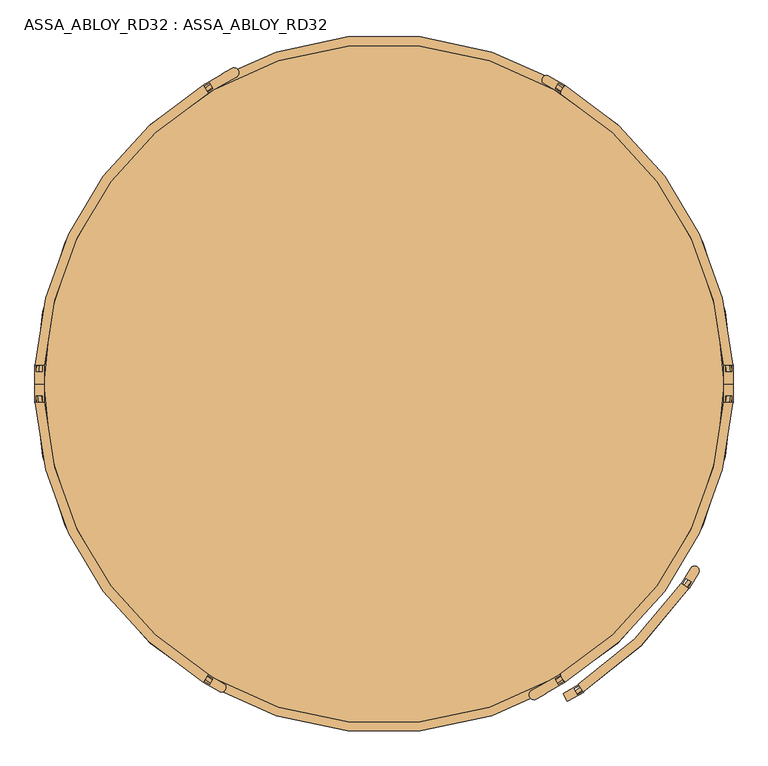
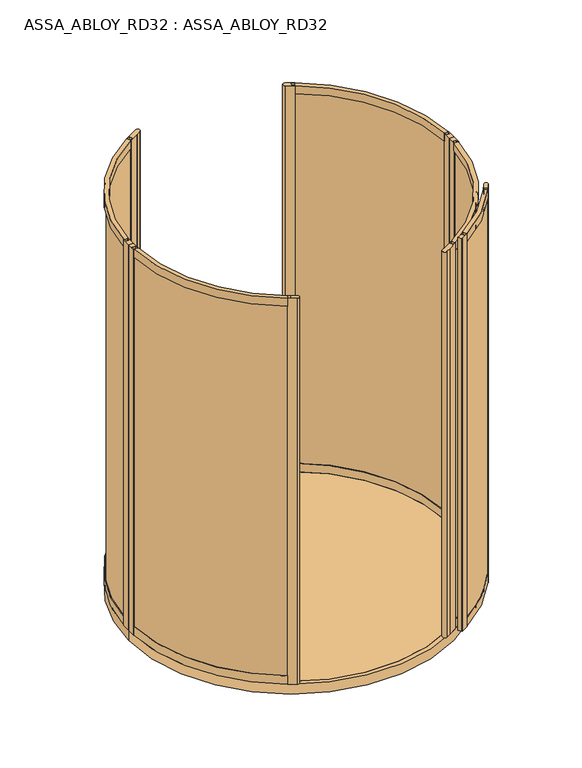
"""IFC4 building model written with IfcOpenShell, lengths in millimetres: door geometry, ASSA_ABLOY_RD32 : ASSA_ABLOY_RD32."""

from ifc_helpers import new_model, si_unit, point, frame, frame_2d, origin, origin_with_axes, place, context, project, spatial, polyline, circle_curve, trimmed, segment, composite_curve, outline, extrude, source, transform, mapped, element, save
from ifc_brep_helpers import plane_surface, cylinder_surface, revolved_surface, advanced_brep


def assa_abloy_rd32_assa_abloy_rd32_8dc88ae1(model_context):
    return source(origin(), model_context, "Body", "SolidModel", [
        extrude(outline(composite_curve([segment(polyline([(993.6904209, -559.909995), (1002.0957467, -565.3276051)]), True, "CONTINUOUS"), segment(trimmed(circle_curve(frame_2d((125.0, 0.0)), 1043.5), [point((1002.0957467, -565.3276051))], [point((674.9340715, -886.8284879))], False, "CARTESIAN"), True, "CONTINUOUS"), segment(polyline([(674.9340715, -886.8284879), (669.6639798, -878.329892)]), True, "CONTINUOUS"), segment(trimmed(circle_curve(frame_2d((125.0, 0.0)), 1033.5), [point((669.6639798, -878.329892))], [point((993.6904209, -559.909995))], True, "CARTESIAN"), True, "CONTINUOUS")], self_intersect=False)), frame((0.0, 0.0, 43.0), z_axis=(0.0, 0.0, 1.0), x_axis=(1.0, 0.0, 0.0)), (0.0, 0.0, 1.0), 2480.0),
        advanced_brep(
        [(680.3575895, -858.5360783, 2556.0), (680.3575895, -858.5360783, 2503.0), (681.9870005, -861.0550106, 2503.0), (681.9870005, -861.0550106, 2523.0), (692.8497407, -877.8478923, 2523.0), (692.8497407, -877.8478923, 2503.0), (694.4791517, -880.3668246, 2503.0), (694.4791517, -880.3668246, 2556.0), (973.7129927, -570.2565264, 2556.0), (995.2939588, -584.7569369, 2556.0), (995.2939588, -584.7569369, 2503.0), (992.8038474, -583.0838126, 2503.0), (992.8038474, -583.0838126, 2523.0), (976.2031042, -571.9296507, 2523.0), (976.2031042, -571.9296507, 2503.0), (973.7129927, -570.2565264, 2503.0)],
        [
            (0, 1),
            (1, 2),
            (2, 3),
            (3, 4),
            (4, 5),
            (5, 6),
            (6, 7),
            (7, 0),
            (8, 9),
            (9, 10),
            (10, 11),
            (11, 12),
            (12, 13),
            (13, 14),
            (14, 15),
            (15, 8),
            (8, 0, circle_curve(frame((125.0, 0.0, 2556.0), z_axis=(0.0, 0.0, -1.0), x_axis=(0.5431370068511084, -0.839644086377567, 0.0)), 1022.5)),
            (7, 9, circle_curve(frame((125.0, 0.0, 2556.0), z_axis=(0.0, 0.0, 1.0), x_axis=(0.5431370068511084, -0.839644086377567, 0.0)), 1048.5)),
            (6, 10, circle_curve(frame((125.0, 0.0, 2503.0), z_axis=(0.0, 0.0, 1.0), x_axis=(0.5431370068511084, -0.839644086377567, 0.0)), 1048.5)),
            (5, 11, circle_curve(frame((125.0, 0.0, 2503.0), z_axis=(0.0, 0.0, 1.0), x_axis=(0.5431370068511084, -0.839644086377567, 0.0)), 1045.5)),
            (4, 12, circle_curve(frame((125.0, 0.0, 2523.0), z_axis=(0.0, 0.0, 1.0), x_axis=(0.5431370068511084, -0.839644086377567, 0.0)), 1045.5)),
            (3, 13, circle_curve(frame((125.0, 0.0, 2523.0), z_axis=(0.0, 0.0, 1.0), x_axis=(0.5431370068511084, -0.839644086377567, 0.0)), 1025.5)),
            (2, 14, circle_curve(frame((125.0, 0.0, 2503.0), z_axis=(0.0, 0.0, 1.0), x_axis=(0.5431370068511084, -0.839644086377567, 0.0)), 1025.5)),
            (1, 15, circle_curve(frame((125.0, 0.0, 2503.0), z_axis=(0.0, 0.0, 1.0), x_axis=(0.5431370068511084, -0.839644086377567, 0.0)), 1022.5)),
        ],
        [
            plane_surface(frame((694.4791517, -880.3668246, 2556.0), z_axis=(-0.839644086377567, -0.5431370068511084, 0.0), x_axis=(0.0, 0.0, 1.0))),
            plane_surface(frame((995.2939588, -584.7569369, 2556.0), z_axis=(0.5577080943123524, 0.8300371567216038, 0.0), x_axis=(0.0, 0.0, 1.0))),
            plane_surface(frame((125.0, 0.0, 2556.0), z_axis=(0.0, 0.0, 1.0000000000000002), x_axis=(0.5431370068511084, -0.839644086377567, 0.0))),
            cylinder_surface(frame((125.0, 0.0, 2556.0), z_axis=(0.0, 0.0, -1.0), x_axis=(0.5431370068511084, -0.839644086377567, 0.0)), 1048.5),
            plane_surface(frame((125.0, 0.0, 2503.0), z_axis=(0.0, 0.0, -1.0000000000000002), x_axis=(0.5431370068511084, -0.839644086377567, 0.0))),
            revolved_surface(polyline([(692.8497406628338, -877.8478923077463, 2503.0), (692.8497406628338, -877.8478923077463, 2523.0)]), (125.0, 0.0, 2556.0), (0.0, 0.0, -1.0)),
            plane_surface(frame((125.0, 0.0, 2523.0), z_axis=(0.0, 0.0, -1.0000000000000002), x_axis=(0.5431370068511084, -0.839644086377567, 0.0))),
            cylinder_surface(frame((125.0, 0.0, 2556.0), z_axis=(0.0, 0.0, -1.0), x_axis=(0.5431370068511084, -0.839644086377567, 0.0)), 1025.5),
            revolved_surface(polyline([(680.3575895052584, -858.5360783210623, 2503.0), (680.3575895052584, -858.5360783210623, 2556.0)]), (125.0, 0.0, 2556.0), (0.0, 0.0, -1.0)),
        ],
        [
            (0, [[1, 2, 3, 4, 5, 6, 7, 8]]),
            (1, [[9, 10, 11, 12, 13, 14, 15, 16]]),
            (2, [[-9, 17, -8, 18]]),
            (3, [[-10, -18, -7, 19]]),
            (4, [[-11, -19, -6, 20]]),
            (5, [[-12, -20, -5, 21]]),
            (6, [[-13, -21, -4, 22]]),
            (7, [[-14, -22, -3, 23]]),
            (4, [[-15, -23, -2, 24]]),
            (8, [[-16, -24, -1, -17]]),
        ],
    ),
        advanced_brep(
        [(680.3575895, -858.5360783, 10.0), (694.4791517, -880.3668246, 10.0), (694.4791517, -880.3668246, 63.0), (692.8497407, -877.8478923, 63.0), (692.8497407, -877.8478923, 43.0), (681.9870005, -861.0550106, 43.0), (681.9870005, -861.0550106, 63.0), (680.3575895, -858.5360783, 63.0), (973.7129927, -570.2565264, 10.0), (973.7129927, -570.2565264, 63.0), (976.2031042, -571.9296507, 63.0), (976.2031042, -571.9296507, 43.0), (992.8038474, -583.0838126, 43.0), (992.8038474, -583.0838126, 63.0), (995.2939588, -584.7569369, 63.0), (995.2939588, -584.7569369, 10.0)],
        [
            (0, 1),
            (1, 2),
            (2, 3),
            (3, 4),
            (4, 5),
            (5, 6),
            (6, 7),
            (7, 0),
            (8, 9),
            (9, 10),
            (10, 11),
            (11, 12),
            (12, 13),
            (13, 14),
            (14, 15),
            (15, 8),
            (8, 0, circle_curve(frame((125.0, 0.0, 10.0), z_axis=(0.0, 0.0, -1.0), x_axis=(0.5431370068511086, -0.839644086377567, 0.0)), 1022.5)),
            (7, 9, circle_curve(frame((125.0, 0.0, 63.0), z_axis=(0.0, 0.0, 1.0), x_axis=(0.5431370068511086, -0.839644086377567, 0.0)), 1022.5)),
            (6, 10, circle_curve(frame((125.0, 0.0, 63.0), z_axis=(0.0, 0.0, 1.0), x_axis=(0.5431370068511086, -0.839644086377567, 0.0)), 1025.5)),
            (5, 11, circle_curve(frame((125.0, 0.0, 43.0), z_axis=(0.0, 0.0, 1.0), x_axis=(0.5431370068511086, -0.839644086377567, 0.0)), 1025.5)),
            (4, 12, circle_curve(frame((125.0, 0.0, 43.0), z_axis=(0.0, 0.0, 1.0), x_axis=(0.5431370068511086, -0.839644086377567, 0.0)), 1045.5)),
            (3, 13, circle_curve(frame((125.0, 0.0, 63.0), z_axis=(0.0, 0.0, 1.0), x_axis=(0.5431370068511086, -0.839644086377567, 0.0)), 1045.5)),
            (2, 14, circle_curve(frame((125.0, 0.0, 63.0), z_axis=(0.0, 0.0, 1.0), x_axis=(0.5431370068511086, -0.839644086377567, 0.0)), 1048.5)),
            (1, 15, circle_curve(frame((125.0, 0.0, 10.0), z_axis=(0.0, 0.0, 1.0), x_axis=(0.5431370068511086, -0.839644086377567, 0.0)), 1048.5)),
        ],
        [
            plane_surface(frame((694.4791517, -880.3668246, 0.0), z_axis=(-0.8396440863775669, -0.5431370068511086, 0.0), x_axis=(0.0, 0.0, 1.0))),
            plane_surface(frame((995.2939588, -584.7569369, 0.0), z_axis=(0.5577080943123519, 0.8300371567216043, 0.0), x_axis=(0.0, 0.0, 1.0))),
            revolved_surface(polyline([(680.3575895052585, -858.5360783210623, 10.0), (680.3575895052585, -858.5360783210623, 63.0)]), (125.0, 0.0, 0.0), (0.0, 0.0, -1.0)),
            plane_surface(frame((125.0, 0.0, 63.0), z_axis=(0.0, 0.0, 1.0000000000000002), x_axis=(0.5431370068511086, -0.8396440863775669, 0.0))),
            cylinder_surface(frame((125.0, 0.0, 0.0), z_axis=(0.0, 0.0, -1.0), x_axis=(0.5431370068511086, -0.839644086377567, 0.0)), 1025.5),
            plane_surface(frame((125.0, 0.0, 43.0), z_axis=(0.0, 0.0, 1.0000000000000002), x_axis=(0.5431370068511086, -0.8396440863775669, 0.0))),
            revolved_surface(polyline([(692.8497406628339, -877.8478923077463, 43.0), (692.8497406628339, -877.8478923077463, 63.0)]), (125.0, 0.0, 0.0), (0.0, 0.0, -1.0)),
            cylinder_surface(frame((125.0, 0.0, 0.0), z_axis=(0.0, 0.0, -1.0), x_axis=(0.5431370068511086, -0.839644086377567, 0.0)), 1048.5),
            plane_surface(frame((125.0, 0.0, 10.0), z_axis=(0.0, 0.0, -1.0000000000000002), x_axis=(0.5431370068511086, -0.8396440863775669, 0.0))),
        ],
        [
            (0, [[1, 2, 3, 4, 5, 6, 7, 8]]),
            (1, [[9, 10, 11, 12, 13, 14, 15, 16]]),
            (2, [[-9, 17, -8, 18]]),
            (3, [[-10, -18, -7, 19]]),
            (4, [[-11, -19, -6, 20]]),
            (5, [[-12, -20, -5, 21]]),
            (6, [[-13, -21, -4, 22]]),
            (3, [[-14, -22, -3, 23]]),
            (7, [[-15, -23, -2, 24]]),
            (8, [[-16, -24, -1, -17]]),
        ],
    ),
        extrude(outline(composite_curve([segment(polyline([(996.4428968, -585.4472885), (993.8713949, -583.9021743), (1004.1721564, -566.7588282), (987.0288104, -556.4580667), (976.7280489, -573.6014128), (974.156547, -572.0562985), (1000.9385269, -527.4835989)]), True, "CONTINUOUS"), segment(trimmed(circle_curve(frame_2d((1012.0817018, -534.1790939)), 13.0), [point((1000.9385269, -527.4835989))], [point((1023.2248767, -540.8745888))], False, "CARTESIAN"), True, "CONTINUOUS"), segment(polyline([(1023.2248767, -540.8745888), (996.4428968, -585.4472885)]), True, "CONTINUOUS")], self_intersect=False)), frame((0.0, 0.0, 10.0), z_axis=(0.0, 0.0, 1.0), x_axis=(1.0, 0.0, 0.0)), (0.0, 0.0, 1.0), 2546.0),
        extrude(outline(polyline([(695.1493464, -881.5276359), (651.8480762, -906.5276359), (651.3480762, -905.6616105), (648.75, -907.1616105), (636.75, -886.3770008), (639.3480762, -884.8770008), (638.8480762, -884.0109754), (682.1493464, -859.0109754), (683.6493464, -861.6090516), (666.3288383, -871.6090516), (676.3288383, -888.9295597), (693.6493464, -878.9295597), (695.1493464, -881.5276359)])), frame((0.0, 0.0, 10.0), z_axis=(0.0, 0.0, 1.0), x_axis=(1.0, 0.0, 0.0)), (0.0, 0.0, 1.0), 2546.0),
        extrude(outline(composite_curve([segment(trimmed(circle_curve(frame_2d((125.0, 0.0)), 989.0), [point((619.5, 856.4991243))], [point((1113.4436781, 33.1676829))], False, "CARTESIAN"), True, "CONTINUOUS"), segment(polyline([(1113.4436781, 33.1676829), (1103.4493032, 32.8323171)]), True, "CONTINUOUS"), segment(trimmed(circle_curve(frame_2d((125.0, 0.0)), 979.0), [point((1103.4493032, 32.8323171))], [point((614.5, 847.8388703))], True, "CARTESIAN"), True, "CONTINUOUS"), segment(polyline([(614.5, 847.8388703), (619.5, 856.4991243)]), True, "CONTINUOUS")], self_intersect=False)), frame((0.0, 0.0, 33.0), z_axis=(0.0, 0.0, 1.0), x_axis=(1.0, 0.0, 0.0)), (0.0, 0.0, 1.0), 2437.0),
        extrude(outline(composite_curve([segment(trimmed(circle_curve(frame_2d((125.0, 0.0)), 989.0), [point((1113.4436781, -33.1676829))], [point((619.5, -856.4991243))], False, "CARTESIAN"), True, "CONTINUOUS"), segment(polyline([(619.5, -856.4991243), (614.5, -847.8388703)]), True, "CONTINUOUS"), segment(trimmed(circle_curve(frame_2d((125.0, 0.0)), 979.0), [point((614.5, -847.8388703))], [point((1103.4493032, -32.8323171))], True, "CARTESIAN"), True, "CONTINUOUS"), segment(polyline([(1103.4493032, -32.8323171), (1113.4436781, -33.1676829)]), True, "CONTINUOUS")], self_intersect=False)), frame((0.0, 0.0, 33.0), z_axis=(0.0, 0.0, 1.0), x_axis=(1.0, 0.0, 0.0)), (0.0, 0.0, 1.0), 2437.0),
        extrude(outline(composite_curve([segment(polyline([(621.9998179, -860.828936), (639.320326, -850.828936), (640.8201439, -853.4266969), (586.2605435, -884.9266969), (586.760545, -885.7927249), (560.7781998, -900.7936389)]), True, "CONTINUOUS"), segment(trimmed(circle_curve(frame_2d((553.7783803, -888.669596)), 13.9996389), [point((560.7781998, -900.7936389))], [point((546.7785609, -876.545553))], False, "CARTESIAN"), True, "CONTINUOUS"), segment(polyline([(546.7785609, -876.545553), (572.7609061, -861.544639), (573.2609076, -862.4106671), (627.8205081, -830.9106671), (629.320326, -833.5084279), (611.9998179, -843.5084279), (621.9998179, -860.828936)]), True, "CONTINUOUS")], self_intersect=False)), origin_with_axes(), (0.0, 0.0, 1.0), 2500.0),
        extrude(outline(composite_curve([segment(polyline([(621.9998179, 860.828936), (611.9998179, 843.5084279), (629.320326, 833.5084279), (627.8205081, 830.9106671), (582.7868716, 856.9108492)]), True, "CONTINUOUS"), segment(trimmed(circle_curve(frame_2d((589.2866895, 868.1688641)), 12.9996359), [point((582.7868716, 856.9108492))], [point((595.7865074, 879.426879))], False, "CARTESIAN"), True, "CONTINUOUS"), segment(polyline([(595.7865074, 879.426879), (640.8201439, 853.4266969), (639.320326, 850.828936), (621.9998179, 860.828936)]), True, "CONTINUOUS")], self_intersect=False)), origin_with_axes(), (0.0, 0.0, 1.0), 2500.0),
        advanced_brep(
        [(627.2711247, 831.0022366, 0.0), (627.2711247, 831.0022366, 53.0), (628.8229408, 833.5696998, 53.0), (628.8229408, 833.5696998, 33.0), (639.168381, 850.6861207, 33.0), (639.168381, 850.6861207, 53.0), (640.7201971, 853.2535838, 53.0), (640.7201971, 853.2535838, 0.0), (1094.6270403, 51.6178536, 0.0), (1120.5902772, 53.0, 0.0), (1120.5902772, 53.0, 53.0), (1117.5945191, 52.8405216, 53.0), (1117.5945191, 52.8405216, 33.0), (1097.6227984, 51.777332, 33.0), (1097.6227984, 51.777332, 53.0), (1094.6270403, 51.6178536, 53.0)],
        [
            (0, 1),
            (1, 2),
            (2, 3),
            (3, 4),
            (4, 5),
            (5, 6),
            (6, 7),
            (7, 0),
            (8, 9),
            (9, 10),
            (10, 11),
            (11, 12),
            (12, 13),
            (13, 14),
            (14, 15),
            (15, 8),
            (15, 1, circle_curve(frame((125.0, 0.0, 53.0), z_axis=(0.0, 0.0, 1.0), x_axis=(0.5172720131197738, 0.8558210469736162, 0.0)), 971.0)),
            (0, 8, circle_curve(frame((125.0, 0.0, 0.0), z_axis=(0.0, 0.0, -1.0), x_axis=(0.5172720131197738, 0.8558210469736162, 0.0)), 971.0)),
            (14, 2, circle_curve(frame((125.0, 0.0, 53.0), z_axis=(0.0, 0.0, 1.0), x_axis=(0.5172720131197738, 0.8558210469736162, 0.0)), 974.0)),
            (13, 3, circle_curve(frame((125.0, 0.0, 33.0), z_axis=(0.0, 0.0, 1.0), x_axis=(0.5172720131197738, 0.8558210469736162, 0.0)), 974.0)),
            (12, 4, circle_curve(frame((125.0, 0.0, 33.0), z_axis=(0.0, 0.0, 1.0), x_axis=(0.5172720131197738, 0.8558210469736162, 0.0)), 994.0)),
            (11, 5, circle_curve(frame((125.0, 0.0, 53.0), z_axis=(0.0, 0.0, 1.0), x_axis=(0.5172720131197738, 0.8558210469736162, 0.0)), 994.0)),
            (10, 6, circle_curve(frame((125.0, 0.0, 53.0), z_axis=(0.0, 0.0, 1.0), x_axis=(0.5172720131197738, 0.8558210469736162, 0.0)), 997.0)),
            (9, 7, circle_curve(frame((125.0, 0.0, 0.0), z_axis=(0.0, 0.0, 1.0), x_axis=(0.5172720131197738, 0.8558210469736162, 0.0)), 997.0)),
        ],
        [
            plane_surface(frame((640.7201971, 853.2535838, 0.0), z_axis=(-0.8558210469736162, 0.5172720131197739, 0.0), x_axis=(0.0, 0.0, 1.0))),
            plane_surface(frame((1120.5902772, 53.0, 0.0), z_axis=(0.05315947843547908, -0.9985860352781166, 0.0), x_axis=(0.0, 0.0, 1.0))),
            revolved_surface(polyline([(627.2711247393004, 831.0022366113812, 0.0), (627.2711247393004, 831.0022366113812, 53.0)]), (125.0, 0.0, 0.0), (0.0, 0.0, -1.0)),
            plane_surface(frame((125.0, 0.0, 53.0), z_axis=(0.0, 0.0, 1.0000000000000002), x_axis=(0.5172720131197739, 0.8558210469736163, 0.0))),
            cylinder_surface(frame((125.0, 0.0, 0.0), z_axis=(0.0, 0.0, -1.0), x_axis=(0.5172720131197738, 0.8558210469736162, 0.0)), 974.0),
            plane_surface(frame((125.0, 0.0, 33.0), z_axis=(0.0, 0.0, 1.0000000000000002), x_axis=(0.5172720131197739, 0.8558210469736163, 0.0))),
            revolved_surface(polyline([(639.1683810410551, 850.6861206917745, 33.0), (639.1683810410551, 850.6861206917745, 53.0)]), (125.0, 0.0, 0.0), (0.0, 0.0, -1.0)),
            cylinder_surface(frame((125.0, 0.0, 0.0), z_axis=(0.0, 0.0, -1.0), x_axis=(0.5172720131197738, 0.8558210469736162, 0.0)), 997.0),
            plane_surface(frame((125.0, 0.0, 0.0), z_axis=(0.0, 0.0, -1.0000000000000002), x_axis=(0.5172720131197739, 0.8558210469736163, 0.0))),
        ],
        [
            (0, [[1, 2, 3, 4, 5, 6, 7, 8]]),
            (1, [[9, 10, 11, 12, 13, 14, 15, 16]]),
            (2, [[17, -1, 18, -16]]),
            (3, [[19, -2, -17, -15]]),
            (4, [[20, -3, -19, -14]]),
            (5, [[21, -4, -20, -13]]),
            (6, [[22, -5, -21, -12]]),
            (3, [[23, -6, -22, -11]]),
            (7, [[24, -7, -23, -10]]),
            (8, [[-18, -8, -24, -9]]),
        ],
    ),
        advanced_brep(
        [(1094.6270403, 51.6178536, 2500.0), (1094.6270403, 51.6178536, 2450.0), (1097.6227984, 51.777332, 2450.0), (1097.6227984, 51.777332, 2470.0), (1117.5945191, 52.8405216, 2470.0), (1117.5945191, 52.8405216, 2450.0), (1120.5902772, 53.0, 2450.0), (1120.5902772, 53.0, 2500.0), (627.2711247, 831.0022366, 2500.0), (640.7201971, 853.2535838, 2500.0), (640.7201971, 853.2535838, 2450.0), (639.168381, 850.6861207, 2450.0), (639.168381, 850.6861207, 2470.0), (628.8229408, 833.5696997, 2470.0), (628.8229408, 833.5696997, 2450.0), (627.2711247, 831.0022366, 2450.0)],
        [
            (0, 1),
            (1, 2),
            (2, 3),
            (3, 4),
            (4, 5),
            (5, 6),
            (6, 7),
            (7, 0),
            (8, 9),
            (9, 10),
            (10, 11),
            (11, 12),
            (12, 13),
            (13, 14),
            (14, 15),
            (15, 8),
            (15, 1, circle_curve(frame((125.0, 0.0, 2450.0), z_axis=(0.0, 0.0, -1.0), x_axis=(0.9985860352779897, 0.05315947843786122, 0.0)), 971.0)),
            (0, 8, circle_curve(frame((125.0, 0.0, 2500.0), z_axis=(0.0, 0.0, 1.0), x_axis=(0.9985860352779897, 0.05315947843786122, 0.0)), 971.0)),
            (14, 2, circle_curve(frame((125.0, 0.0, 2450.0), z_axis=(0.0, 0.0, -1.0), x_axis=(0.9985860352779897, 0.05315947843786122, 0.0)), 974.0)),
            (9, 7, circle_curve(frame((125.0, 0.0, 2500.0), z_axis=(0.0, 0.0, -1.0), x_axis=(0.9985860352779897, 0.05315947843786122, 0.0)), 997.0)),
            (6, 10, circle_curve(frame((125.0, 0.0, 2450.0), z_axis=(0.0, 0.0, 1.0), x_axis=(0.9985860352779897, 0.05315947843786122, 0.0)), 997.0)),
            (13, 3, circle_curve(frame((125.0, 0.0, 2470.0), z_axis=(0.0, 0.0, -1.0), x_axis=(0.9985860352779897, 0.05315947843786122, 0.0)), 974.0)),
            (12, 4, circle_curve(frame((125.0, 0.0, 2470.0), z_axis=(0.0, 0.0, -1.0), x_axis=(0.9985860352779897, 0.05315947843786122, 0.0)), 994.0)),
            (11, 5, circle_curve(frame((125.0, 0.0, 2450.0), z_axis=(0.0, 0.0, -1.0), x_axis=(0.9985860352779897, 0.05315947843786122, 0.0)), 994.0)),
        ],
        [
            plane_surface(frame((1120.5902772, 53.0, 2500.0), z_axis=(0.053159478437861236, -0.9985860352779897, 0.0), x_axis=(0.0, 0.0, 1.0))),
            plane_surface(frame((640.7201971, 853.2535838, 2500.0), z_axis=(-0.855821046973346, 0.5172720131202209, 0.0), x_axis=(0.0, 0.0, 1.0))),
            revolved_surface(polyline([(1094.627040254928, 51.617853563163244, 2500.0), (1094.627040254928, 51.617853563163244, 2450.0)]), (125.0, 0.0, 2500.0), (0.0, 0.0, 1.0)),
            plane_surface(frame((125.0, 0.0, 2450.0), z_axis=(0.0, 0.0, -1.0), x_axis=(0.9985860352779897, 0.05315947843786122, 0.0))),
            cylinder_surface(frame((125.0, 0.0, 2500.0), z_axis=(0.0, 0.0, 1.0), x_axis=(0.9985860352779897, 0.05315947843786122, 0.0)), 997.0),
            plane_surface(frame((125.0, 0.0, 2500.0), z_axis=(0.0, 0.0, 1.0), x_axis=(0.9985860352779897, 0.05315947843786122, 0.0))),
            cylinder_surface(frame((125.0, 0.0, 2500.0), z_axis=(0.0, 0.0, 1.0), x_axis=(0.9985860352779897, 0.05315947843786122, 0.0)), 974.0),
            plane_surface(frame((125.0, 0.0, 2470.0), z_axis=(0.0, 0.0, -1.0), x_axis=(0.9985860352779897, 0.05315947843786122, 0.0))),
            revolved_surface(polyline([(1117.594519066322, 52.840521567234056, 2470.0), (1117.594519066322, 52.840521567234056, 2450.0)]), (125.0, 0.0, 2500.0), (0.0, 0.0, 1.0)),
        ],
        [
            (0, [[1, 2, 3, 4, 5, 6, 7, 8]]),
            (1, [[9, 10, 11, 12, 13, 14, 15, 16]]),
            (2, [[17, -1, 18, -16]]),
            (3, [[19, -2, -17, -15]]),
            (4, [[20, -7, 21, -10]]),
            (5, [[-18, -8, -20, -9]]),
            (6, [[22, -3, -19, -14]]),
            (7, [[23, -4, -22, -13]]),
            (8, [[24, -5, -23, -12]]),
            (3, [[-21, -6, -24, -11]]),
        ],
    ),
        extrude(outline(polyline([(1122.0, 0.0), (1096.0, 0.0), (1096.0, 53.0), (1099.0, 53.0), (1099.0, 33.0), (1119.0, 33.0), (1119.0, 53.0), (1122.0, 53.0), (1122.0, 0.0)])), origin_with_axes(), (0.0, 0.0, 1.0), 2500.0),
        advanced_brep(
        [(627.2711247, -831.0022366, 0.0), (640.7201971, -853.2535838, 0.0), (640.7201971, -853.2535838, 53.0), (639.168381, -850.6861207, 53.0), (639.168381, -850.6861207, 33.0), (628.8229408, -833.5696998, 33.0), (628.8229408, -833.5696998, 53.0), (627.2711247, -831.0022366, 53.0), (1094.6270403, -51.6178536, 0.0), (1094.6270403, -51.6178536, 53.0), (1097.6227984, -51.777332, 53.0), (1097.6227984, -51.777332, 33.0), (1117.5945191, -52.8405216, 33.0), (1117.5945191, -52.8405216, 53.0), (1120.5902772, -53.0, 53.0), (1120.5902772, -53.0, 0.0)],
        [
            (0, 1),
            (1, 2),
            (2, 3),
            (3, 4),
            (4, 5),
            (5, 6),
            (6, 7),
            (7, 0),
            (8, 9),
            (9, 10),
            (10, 11),
            (11, 12),
            (12, 13),
            (13, 14),
            (14, 15),
            (15, 8),
            (8, 0, circle_curve(frame((125.0, 0.0, 0.0), z_axis=(0.0, 0.0, -1.0), x_axis=(0.5172720131195371, -0.8558210469737593, 0.0)), 971.0)),
            (7, 9, circle_curve(frame((125.0, 0.0, 53.0), z_axis=(0.0, 0.0, 1.0), x_axis=(0.5172720131195371, -0.8558210469737593, 0.0)), 971.0)),
            (6, 10, circle_curve(frame((125.0, 0.0, 53.0), z_axis=(0.0, 0.0, 1.0), x_axis=(0.5172720131195371, -0.8558210469737593, 0.0)), 974.0)),
            (5, 11, circle_curve(frame((125.0, 0.0, 33.0), z_axis=(0.0, 0.0, 1.0), x_axis=(0.5172720131195371, -0.8558210469737593, 0.0)), 974.0)),
            (4, 12, circle_curve(frame((125.0, 0.0, 33.0), z_axis=(0.0, 0.0, 1.0), x_axis=(0.5172720131195371, -0.8558210469737593, 0.0)), 994.0)),
            (3, 13, circle_curve(frame((125.0, 0.0, 53.0), z_axis=(0.0, 0.0, 1.0), x_axis=(0.5172720131195371, -0.8558210469737593, 0.0)), 994.0)),
            (2, 14, circle_curve(frame((125.0, 0.0, 53.0), z_axis=(0.0, 0.0, 1.0), x_axis=(0.5172720131195371, -0.8558210469737593, 0.0)), 997.0)),
            (1, 15, circle_curve(frame((125.0, 0.0, 0.0), z_axis=(0.0, 0.0, 1.0), x_axis=(0.5172720131195371, -0.8558210469737593, 0.0)), 997.0)),
        ],
        [
            plane_surface(frame((640.7201971, -853.2535838, 0.0), z_axis=(-0.8558210469737594, -0.5172720131195372, 0.0), x_axis=(0.0, 0.0, 1.0))),
            plane_surface(frame((1120.5902772, -53.0, 0.0), z_axis=(0.053159478435714, 0.9985860352781041, 0.0), x_axis=(0.0, 0.0, 1.0))),
            revolved_surface(polyline([(627.2711247390705, -831.0022366115203, 53.0), (627.2711247390705, -831.0022366115203, 0.0)]), (125.0, 0.0, 0.0), (0.0, 0.0, 1.0)),
            plane_surface(frame((125.0, 0.0, 53.0), z_axis=(0.0, 0.0, 1.0), x_axis=(0.5172720131195371, -0.8558210469737593, 0.0))),
            cylinder_surface(frame((125.0, 0.0, 0.0), z_axis=(0.0, 0.0, 1.0), x_axis=(0.5172720131195371, -0.8558210469737593, 0.0)), 974.0),
            plane_surface(frame((125.0, 0.0, 33.0), z_axis=(0.0, 0.0, 1.0), x_axis=(0.5172720131195371, -0.8558210469737593, 0.0))),
            revolved_surface(polyline([(639.1683810408199, -850.6861206919167, 53.0), (639.1683810408199, -850.6861206919167, 33.0)]), (125.0, 0.0, 0.0), (0.0, 0.0, 1.0)),
            cylinder_surface(frame((125.0, 0.0, 0.0), z_axis=(0.0, 0.0, 1.0), x_axis=(0.5172720131195371, -0.8558210469737593, 0.0)), 997.0),
            plane_surface(frame((125.0, 0.0, 0.0), z_axis=(0.0, 0.0, -1.0), x_axis=(0.5172720131195371, -0.8558210469737593, 0.0))),
        ],
        [
            (0, [[1, 2, 3, 4, 5, 6, 7, 8]]),
            (1, [[9, 10, 11, 12, 13, 14, 15, 16]]),
            (2, [[17, -8, 18, -9]]),
            (3, [[-18, -7, 19, -10]]),
            (4, [[-19, -6, 20, -11]]),
            (5, [[-20, -5, 21, -12]]),
            (6, [[-21, -4, 22, -13]]),
            (3, [[-22, -3, 23, -14]]),
            (7, [[-23, -2, 24, -15]]),
            (8, [[-24, -1, -17, -16]]),
        ],
    ),
        advanced_brep(
        [(1094.6270403, -51.6178536, 2500.0), (1120.5902772, -53.0, 2500.0), (1120.5902772, -53.0, 2450.0), (1117.5945191, -52.8405216, 2450.0), (1117.5945191, -52.8405216, 2470.0), (1097.6227984, -51.777332, 2470.0), (1097.6227984, -51.777332, 2450.0), (1094.6270403, -51.6178536, 2450.0), (627.2711247, -831.0022366, 2500.0), (627.2711247, -831.0022366, 2450.0), (628.8229408, -833.5696998, 2450.0), (628.8229408, -833.5696998, 2470.0), (639.168381, -850.6861207, 2470.0), (639.168381, -850.6861207, 2450.0), (640.7201971, -853.2535838, 2450.0), (640.7201971, -853.2535838, 2500.0)],
        [
            (0, 1),
            (1, 2),
            (2, 3),
            (3, 4),
            (4, 5),
            (5, 6),
            (6, 7),
            (7, 0),
            (8, 9),
            (9, 10),
            (10, 11),
            (11, 12),
            (12, 13),
            (13, 14),
            (14, 15),
            (15, 8),
            (8, 0, circle_curve(frame((125.0, 0.0, 2500.0), z_axis=(0.0, 0.0, 1.0), x_axis=(0.998586035278285, -0.05315947843231441, 0.0)), 971.0)),
            (7, 9, circle_curve(frame((125.0, 0.0, 2450.0), z_axis=(0.0, 0.0, -1.0), x_axis=(0.998586035278285, -0.05315947843231441, 0.0)), 971.0)),
            (6, 10, circle_curve(frame((125.0, 0.0, 2450.0), z_axis=(0.0, 0.0, -1.0), x_axis=(0.998586035278285, -0.05315947843231441, 0.0)), 974.0)),
            (14, 2, circle_curve(frame((125.0, 0.0, 2450.0), z_axis=(0.0, 0.0, 1.0), x_axis=(0.998586035278285, -0.05315947843231441, 0.0)), 997.0)),
            (1, 15, circle_curve(frame((125.0, 0.0, 2500.0), z_axis=(0.0, 0.0, -1.0), x_axis=(0.998586035278285, -0.05315947843231441, 0.0)), 997.0)),
            (5, 11, circle_curve(frame((125.0, 0.0, 2470.0), z_axis=(0.0, 0.0, -1.0), x_axis=(0.998586035278285, -0.05315947843231441, 0.0)), 974.0)),
            (4, 12, circle_curve(frame((125.0, 0.0, 2470.0), z_axis=(0.0, 0.0, -1.0), x_axis=(0.998586035278285, -0.05315947843231441, 0.0)), 994.0)),
            (3, 13, circle_curve(frame((125.0, 0.0, 2450.0), z_axis=(0.0, 0.0, -1.0), x_axis=(0.998586035278285, -0.05315947843231441, 0.0)), 994.0)),
        ],
        [
            plane_surface(frame((1120.5902772, -53.0, 2500.0), z_axis=(0.053159478432314444, 0.998586035278285, 0.0), x_axis=(0.0, 0.0, 1.0))),
            plane_surface(frame((640.7201971, -853.2535838, 2500.0), z_axis=(-0.8558210469721426, -0.517272013122212, 0.0), x_axis=(0.0, 0.0, 1.0))),
            revolved_surface(polyline([(1094.6270402552148, -51.617853557777295, 2450.0), (1094.6270402552148, -51.617853557777295, 2500.0)]), (125.0, 0.0, 2500.0), (0.0, 0.0, -1.0)),
            plane_surface(frame((125.0, 0.0, 2450.0), z_axis=(0.0, 0.0, -1.0), x_axis=(0.998586035278285, -0.05315947843231441, 0.0))),
            cylinder_surface(frame((125.0, 0.0, 2500.0), z_axis=(0.0, 0.0, -1.0), x_axis=(0.998586035278285, -0.05315947843231441, 0.0)), 997.0),
            plane_surface(frame((125.0, 0.0, 2500.0), z_axis=(0.0, 0.0, 1.0), x_axis=(0.998586035278285, -0.05315947843231441, 0.0))),
            cylinder_surface(frame((125.0, 0.0, 2500.0), z_axis=(0.0, 0.0, -1.0), x_axis=(0.998586035278285, -0.05315947843231441, 0.0)), 974.0),
            plane_surface(frame((125.0, 0.0, 2470.0), z_axis=(0.0, 0.0, -1.0), x_axis=(0.998586035278285, -0.05315947843231441, 0.0))),
            revolved_surface(polyline([(1117.5945190666152, -52.84052156172052, 2450.0), (1117.5945190666152, -52.84052156172052, 2470.0)]), (125.0, 0.0, 2500.0), (0.0, 0.0, -1.0)),
        ],
        [
            (0, [[1, 2, 3, 4, 5, 6, 7, 8]]),
            (1, [[9, 10, 11, 12, 13, 14, 15, 16]]),
            (2, [[17, -8, 18, -9]]),
            (3, [[-18, -7, 19, -10]]),
            (4, [[20, -2, 21, -15]]),
            (5, [[-21, -1, -17, -16]]),
            (6, [[-19, -6, 22, -11]]),
            (7, [[-22, -5, 23, -12]]),
            (8, [[-23, -4, 24, -13]]),
            (3, [[-24, -3, -20, -14]]),
        ],
    ),
        extrude(outline(polyline([(1122.0, 0.0), (1122.0, -53.0), (1119.0, -53.0), (1119.0, -33.0), (1099.0, -33.0), (1099.0, -53.0), (1096.0, -53.0), (1096.0, 0.0), (1122.0, 0.0)])), origin_with_axes(), (0.0, 0.0, 1.0), 2500.0),
        extrude(outline(composite_curve([segment(trimmed(circle_curve(frame_2d((125.0, 0.0)), 979.0), [point((-364.5, 847.8388703))], [point((-854.0, 0.0))], True, "CARTESIAN"), True, "CONTINUOUS"), segment(polyline([(-854.0, 0.0), (-864.0, 0.0)]), True, "CONTINUOUS"), segment(trimmed(circle_curve(frame_2d((125.0, 0.0)), 989.0), [point((-864.0, 0.0))], [point((-369.5, 856.4991243))], False, "CARTESIAN"), True, "CONTINUOUS"), segment(polyline([(-369.5, 856.4991243), (-364.5, 847.8388703)]), True, "CONTINUOUS")], self_intersect=False)), frame((0.0, 0.0, 33.0), z_axis=(0.0, 0.0, 1.0), x_axis=(1.0, 0.0, 0.0)), (0.0, 0.0, 1.0), 2437.0),
        advanced_brep(
        [(-377.2711247, 831.0022366, 0.0), (-390.7201971, 853.2535838, 0.0), (-390.7201971, 853.2535838, 53.0), (-389.168381, 850.6861207, 53.0), (-389.168381, 850.6861207, 33.0), (-378.8229408, 833.5696998, 33.0), (-378.8229408, 833.5696998, 53.0), (-377.2711247, 831.0022366, 53.0), (-844.6270403, 51.6178536, 0.0), (-844.6270403, 51.6178536, 53.0), (-847.6227984, 51.777332, 53.0), (-847.6227984, 51.777332, 33.0), (-867.5945191, 52.8405216, 33.0), (-867.5945191, 52.8405216, 53.0), (-870.5902772, 53.0, 53.0), (-870.5902772, 53.0, 0.0)],
        [
            (0, 1),
            (1, 2),
            (2, 3),
            (3, 4),
            (4, 5),
            (5, 6),
            (6, 7),
            (7, 0),
            (8, 9),
            (9, 10),
            (10, 11),
            (11, 12),
            (12, 13),
            (13, 14),
            (14, 15),
            (15, 8),
            (8, 0, circle_curve(frame((125.0, 0.0, 0.0), z_axis=(0.0, 0.0, -1.0), x_axis=(-0.5172720131199363, 0.8558210469735179, 0.0)), 971.0)),
            (7, 9, circle_curve(frame((125.0, 0.0, 53.0), z_axis=(0.0, 0.0, 1.0), x_axis=(-0.5172720131199363, 0.8558210469735179, 0.0)), 971.0)),
            (6, 10, circle_curve(frame((125.0, 0.0, 53.0), z_axis=(0.0, 0.0, 1.0), x_axis=(-0.5172720131199363, 0.8558210469735179, 0.0)), 974.0)),
            (5, 11, circle_curve(frame((125.0, 0.0, 33.0), z_axis=(0.0, 0.0, 1.0), x_axis=(-0.5172720131199363, 0.8558210469735179, 0.0)), 974.0)),
            (4, 12, circle_curve(frame((125.0, 0.0, 33.0), z_axis=(0.0, 0.0, 1.0), x_axis=(-0.5172720131199363, 0.8558210469735179, 0.0)), 994.0)),
            (3, 13, circle_curve(frame((125.0, 0.0, 53.0), z_axis=(0.0, 0.0, 1.0), x_axis=(-0.5172720131199363, 0.8558210469735179, 0.0)), 994.0)),
            (2, 14, circle_curve(frame((125.0, 0.0, 53.0), z_axis=(0.0, 0.0, 1.0), x_axis=(-0.5172720131199363, 0.8558210469735179, 0.0)), 997.0)),
            (1, 15, circle_curve(frame((125.0, 0.0, 0.0), z_axis=(0.0, 0.0, 1.0), x_axis=(-0.5172720131199363, 0.8558210469735179, 0.0)), 997.0)),
        ],
        [
            plane_surface(frame((-390.7201971, 853.2535838, 0.0), z_axis=(0.855821046973518, 0.5172720131199363, 0.0), x_axis=(0.0, 0.0, 1.0))),
            plane_surface(frame((-870.5902772, 53.0, 0.0), z_axis=(-0.0531594784350477, -0.9985860352781395, 0.0), x_axis=(0.0, 0.0, 1.0))),
            revolved_surface(polyline([(-377.2711247394582, 831.0022366112859, 53.0), (-377.2711247394582, 831.0022366112859, 0.0)]), (125.0, 0.0, 0.0), (0.0, 0.0, 1.0)),
            plane_surface(frame((125.0, 0.0, 53.0), z_axis=(0.0, 0.0, 1.0000000000000002), x_axis=(-0.5172720131199364, 0.855821046973518, 0.0))),
            cylinder_surface(frame((125.0, 0.0, 0.0), z_axis=(0.0, 0.0, 1.0), x_axis=(-0.5172720131199363, 0.8558210469735179, 0.0)), 974.0),
            plane_surface(frame((125.0, 0.0, 33.0), z_axis=(0.0, 0.0, 1.0000000000000002), x_axis=(-0.5172720131199364, 0.855821046973518, 0.0))),
            revolved_surface(polyline([(-389.16838104121666, 850.6861206916768, 53.0), (-389.16838104121666, 850.6861206916768, 33.0)]), (125.0, 0.0, 0.0), (0.0, 0.0, 1.0)),
            cylinder_surface(frame((125.0, 0.0, 0.0), z_axis=(0.0, 0.0, 1.0), x_axis=(-0.5172720131199363, 0.8558210469735179, 0.0)), 997.0),
            plane_surface(frame((125.0, 0.0, 0.0), z_axis=(0.0, 0.0, -1.0000000000000002), x_axis=(-0.5172720131199364, 0.855821046973518, 0.0))),
        ],
        [
            (0, [[1, 2, 3, 4, 5, 6, 7, 8]]),
            (1, [[9, 10, 11, 12, 13, 14, 15, 16]]),
            (2, [[17, -8, 18, -9]]),
            (3, [[-18, -7, 19, -10]]),
            (4, [[-19, -6, 20, -11]]),
            (5, [[-20, -5, 21, -12]]),
            (6, [[-21, -4, 22, -13]]),
            (3, [[-22, -3, 23, -14]]),
            (7, [[-23, -2, 24, -15]]),
            (8, [[-24, -1, -17, -16]]),
        ],
    ),
        advanced_brep(
        [(-844.6270403, 51.6178536, 2500.0), (-870.5902772, 53.0, 2500.0), (-870.5902772, 53.0, 2450.0), (-867.5945191, 52.8405216, 2450.0), (-867.5945191, 52.8405216, 2470.0), (-847.6227984, 51.777332, 2470.0), (-847.6227984, 51.777332, 2450.0), (-844.6270403, 51.6178536, 2450.0), (-377.2711247, 831.0022366, 2500.0), (-377.2711247, 831.0022366, 2450.0), (-378.8229408, 833.5696998, 2450.0), (-378.8229408, 833.5696998, 2470.0), (-389.168381, 850.6861207, 2470.0), (-389.168381, 850.6861207, 2450.0), (-390.7201971, 853.2535838, 2450.0), (-390.7201971, 853.2535838, 2500.0)],
        [
            (0, 1),
            (1, 2),
            (2, 3),
            (3, 4),
            (4, 5),
            (5, 6),
            (6, 7),
            (7, 0),
            (8, 9),
            (9, 10),
            (10, 11),
            (11, 12),
            (12, 13),
            (13, 14),
            (14, 15),
            (15, 8),
            (8, 0, circle_curve(frame((125.0, 0.0, 2500.0), z_axis=(0.0, 0.0, 1.0), x_axis=(-0.9985860352779593, 0.05315947843843365, 0.0)), 971.0)),
            (7, 9, circle_curve(frame((125.0, 0.0, 2450.0), z_axis=(0.0, 0.0, -1.0), x_axis=(-0.9985860352779593, 0.05315947843843365, 0.0)), 971.0)),
            (6, 10, circle_curve(frame((125.0, 0.0, 2450.0), z_axis=(0.0, 0.0, -1.0), x_axis=(-0.9985860352779593, 0.05315947843843365, 0.0)), 974.0)),
            (14, 2, circle_curve(frame((125.0, 0.0, 2450.0), z_axis=(0.0, 0.0, 1.0), x_axis=(-0.9985860352779593, 0.05315947843843365, 0.0)), 997.0)),
            (1, 15, circle_curve(frame((125.0, 0.0, 2500.0), z_axis=(0.0, 0.0, -1.0), x_axis=(-0.9985860352779593, 0.05315947843843365, 0.0)), 997.0)),
            (5, 11, circle_curve(frame((125.0, 0.0, 2470.0), z_axis=(0.0, 0.0, -1.0), x_axis=(-0.9985860352779593, 0.05315947843843365, 0.0)), 974.0)),
            (4, 12, circle_curve(frame((125.0, 0.0, 2470.0), z_axis=(0.0, 0.0, -1.0), x_axis=(-0.9985860352779593, 0.05315947843843365, 0.0)), 994.0)),
            (3, 13, circle_curve(frame((125.0, 0.0, 2450.0), z_axis=(0.0, 0.0, -1.0), x_axis=(-0.9985860352779593, 0.05315947843843365, 0.0)), 994.0)),
        ],
        [
            plane_surface(frame((-870.5902772, 53.0, 2500.0), z_axis=(-0.05315947843843366, -0.9985860352779594, 0.0), x_axis=(0.0, 0.0, 1.0))),
            plane_surface(frame((-390.7201971, 853.2535838, 2500.0), z_axis=(0.855821046975163, 0.5172720131172145, 0.0), x_axis=(0.0, 0.0, 1.0))),
            revolved_surface(polyline([(-844.6270402548985, 51.61785356371907, 2450.0), (-844.6270402548985, 51.61785356371907, 2500.0)]), (125.0, 0.0, 2500.0), (0.0, 0.0, -1.0)),
            plane_surface(frame((125.0, 0.0, 2450.0), z_axis=(0.0, 0.0, -1.0), x_axis=(-0.9985860352779593, 0.05315947843843365, 0.0))),
            cylinder_surface(frame((125.0, 0.0, 2500.0), z_axis=(0.0, 0.0, -1.0), x_axis=(-0.9985860352779593, 0.05315947843843365, 0.0)), 997.0),
            plane_surface(frame((125.0, 0.0, 2500.0), z_axis=(0.0, 0.0, 1.0), x_axis=(-0.9985860352779593, 0.05315947843843365, 0.0))),
            cylinder_surface(frame((125.0, 0.0, 2500.0), z_axis=(0.0, 0.0, -1.0), x_axis=(-0.9985860352779593, 0.05315947843843365, 0.0)), 974.0),
            plane_surface(frame((125.0, 0.0, 2470.0), z_axis=(0.0, 0.0, -1.0), x_axis=(-0.9985860352779593, 0.05315947843843365, 0.0))),
            revolved_surface(polyline([(-867.5945190662916, 52.840521567803044, 2450.0), (-867.5945190662916, 52.840521567803044, 2470.0)]), (125.0, 0.0, 2500.0), (0.0, 0.0, -1.0)),
        ],
        [
            (0, [[1, 2, 3, 4, 5, 6, 7, 8]]),
            (1, [[9, 10, 11, 12, 13, 14, 15, 16]]),
            (2, [[17, -8, 18, -9]]),
            (3, [[-18, -7, 19, -10]]),
            (4, [[20, -2, 21, -15]]),
            (5, [[-21, -1, -17, -16]]),
            (6, [[-19, -6, 22, -11]]),
            (7, [[-22, -5, 23, -12]]),
            (8, [[-23, -4, 24, -13]]),
            (3, [[-24, -3, -20, -14]]),
        ],
    ),
        extrude(outline(composite_curve([segment(polyline([(-371.9998179, 860.828936), (-389.320326, 850.828936), (-390.8201439, 853.4266969), (-336.2605435, 884.9266969), (-336.760545, 885.7927249), (-310.7781998, 900.7936389)]), True, "CONTINUOUS"), segment(trimmed(circle_curve(frame_2d((-303.7783803, 888.669596)), 13.9996389), [point((-310.7781998, 900.7936389))], [point((-296.7785609, 876.545553))], False, "CARTESIAN"), True, "CONTINUOUS"), segment(polyline([(-296.7785609, 876.545553), (-322.7609061, 861.544639), (-323.2609076, 862.4106671), (-377.8205081, 830.9106671), (-379.320326, 833.5084279), (-361.9998179, 843.5084279), (-371.9998179, 860.828936)]), True, "CONTINUOUS")], self_intersect=False)), origin_with_axes(), (0.0, 0.0, 1.0), 2500.0),
        extrude(outline(polyline([(-872.0, 0.0), (-872.0, 53.0), (-869.0, 53.0), (-869.0, 33.0), (-849.0, 33.0), (-849.0, 53.0), (-846.0, 53.0), (-846.0, 0.0), (-872.0, 0.0)])), origin_with_axes(), (0.0, 0.0, 1.0), 2500.0),
        extrude(outline(composite_curve([segment(trimmed(circle_curve(frame_2d((125.0, 0.0)), 989.0), [point((-369.5, -856.4991243))], [point((-863.4436781, -33.1676829))], False, "CARTESIAN"), True, "CONTINUOUS"), segment(polyline([(-863.4436781, -33.1676829), (-853.4493032, -32.8323171)]), True, "CONTINUOUS"), segment(trimmed(circle_curve(frame_2d((125.0, 0.0)), 979.0), [point((-853.4493032, -32.8323171))], [point((-364.5, -847.8388703))], True, "CARTESIAN"), True, "CONTINUOUS"), segment(polyline([(-364.5, -847.8388703), (-369.5, -856.4991243)]), True, "CONTINUOUS")], self_intersect=False)), frame((0.0, 0.0, 33.0), z_axis=(0.0, 0.0, 1.0), x_axis=(1.0, 0.0, 0.0)), (0.0, 0.0, 1.0), 2437.0),
        advanced_brep(
        [(-377.2711247, -831.0022366, 0.0), (-377.2711247, -831.0022366, 53.0), (-378.8229408, -833.5696998, 53.0), (-378.8229408, -833.5696998, 33.0), (-389.168381, -850.6861207, 33.0), (-389.168381, -850.6861207, 53.0), (-390.7201971, -853.2535838, 53.0), (-390.7201971, -853.2535838, 0.0), (-844.6270403, -51.6178536, 0.0), (-870.5902772, -53.0, 0.0), (-870.5902772, -53.0, 53.0), (-867.5945191, -52.8405216, 53.0), (-867.5945191, -52.8405216, 33.0), (-847.6227984, -51.777332, 33.0), (-847.6227984, -51.777332, 53.0), (-844.6270403, -51.6178536, 53.0)],
        [
            (0, 1),
            (1, 2),
            (2, 3),
            (3, 4),
            (4, 5),
            (5, 6),
            (6, 7),
            (7, 0),
            (8, 9),
            (9, 10),
            (10, 11),
            (11, 12),
            (12, 13),
            (13, 14),
            (14, 15),
            (15, 8),
            (15, 1, circle_curve(frame((125.0, 0.0, 53.0), z_axis=(0.0, 0.0, 1.0), x_axis=(-0.5172720131195626, -0.8558210469737438, 0.0)), 971.0)),
            (0, 8, circle_curve(frame((125.0, 0.0, 0.0), z_axis=(0.0, 0.0, -1.0), x_axis=(-0.5172720131195626, -0.8558210469737438, 0.0)), 971.0)),
            (14, 2, circle_curve(frame((125.0, 0.0, 53.0), z_axis=(0.0, 0.0, 1.0), x_axis=(-0.5172720131195626, -0.8558210469737438, 0.0)), 974.0)),
            (13, 3, circle_curve(frame((125.0, 0.0, 33.0), z_axis=(0.0, 0.0, 1.0), x_axis=(-0.5172720131195626, -0.8558210469737438, 0.0)), 974.0)),
            (12, 4, circle_curve(frame((125.0, 0.0, 33.0), z_axis=(0.0, 0.0, 1.0), x_axis=(-0.5172720131195626, -0.8558210469737438, 0.0)), 994.0)),
            (11, 5, circle_curve(frame((125.0, 0.0, 53.0), z_axis=(0.0, 0.0, 1.0), x_axis=(-0.5172720131195626, -0.8558210469737438, 0.0)), 994.0)),
            (10, 6, circle_curve(frame((125.0, 0.0, 53.0), z_axis=(0.0, 0.0, 1.0), x_axis=(-0.5172720131195626, -0.8558210469737438, 0.0)), 997.0)),
            (9, 7, circle_curve(frame((125.0, 0.0, 0.0), z_axis=(0.0, 0.0, 1.0), x_axis=(-0.5172720131195626, -0.8558210469737438, 0.0)), 997.0)),
        ],
        [
            plane_surface(frame((-390.7201971, -853.2535838, 0.0), z_axis=(0.8558210469737437, -0.5172720131195627, 0.0), x_axis=(0.0, 0.0, 1.0))),
            plane_surface(frame((-870.5902772, -53.0, 0.0), z_axis=(-0.05315947843606917, 0.9985860352780852, 0.0), x_axis=(0.0, 0.0, 1.0))),
            revolved_surface(polyline([(-377.2711247390953, -831.0022366115053, 0.0), (-377.2711247390953, -831.0022366115053, 53.0)]), (125.0, 0.0, 0.0), (0.0, 0.0, -1.0)),
            plane_surface(frame((125.0, 0.0, 53.0), z_axis=(0.0, 0.0, 1.0), x_axis=(-0.5172720131195626, -0.8558210469737438, 0.0))),
            cylinder_surface(frame((125.0, 0.0, 0.0), z_axis=(0.0, 0.0, -1.0), x_axis=(-0.5172720131195626, -0.8558210469737438, 0.0)), 974.0),
            plane_surface(frame((125.0, 0.0, 33.0), z_axis=(0.0, 0.0, 1.0), x_axis=(-0.5172720131195626, -0.8558210469737438, 0.0))),
            revolved_surface(polyline([(-389.16838104084525, -850.6861206919014, 33.0), (-389.16838104084525, -850.6861206919014, 53.0)]), (125.0, 0.0, 0.0), (0.0, 0.0, -1.0)),
            cylinder_surface(frame((125.0, 0.0, 0.0), z_axis=(0.0, 0.0, -1.0), x_axis=(-0.5172720131195626, -0.8558210469737438, 0.0)), 997.0),
            plane_surface(frame((125.0, 0.0, 0.0), z_axis=(0.0, 0.0, -1.0), x_axis=(-0.5172720131195626, -0.8558210469737438, 0.0))),
        ],
        [
            (0, [[1, 2, 3, 4, 5, 6, 7, 8]]),
            (1, [[9, 10, 11, 12, 13, 14, 15, 16]]),
            (2, [[17, -1, 18, -16]]),
            (3, [[19, -2, -17, -15]]),
            (4, [[20, -3, -19, -14]]),
            (5, [[21, -4, -20, -13]]),
            (6, [[22, -5, -21, -12]]),
            (3, [[23, -6, -22, -11]]),
            (7, [[24, -7, -23, -10]]),
            (8, [[-18, -8, -24, -9]]),
        ],
    ),
        advanced_brep(
        [(-844.6270403, -51.6178536, 2500.0), (-844.6270403, -51.6178536, 2450.0), (-847.6227984, -51.777332, 2450.0), (-847.6227984, -51.777332, 2470.0), (-867.5945191, -52.8405216, 2470.0), (-867.5945191, -52.8405216, 2450.0), (-870.5902772, -53.0, 2450.0), (-870.5902772, -53.0, 2500.0), (-377.2711247, -831.0022366, 2500.0), (-390.7201971, -853.2535838, 2500.0), (-390.7201971, -853.2535838, 2450.0), (-389.168381, -850.6861207, 2450.0), (-389.168381, -850.6861207, 2470.0), (-378.8229408, -833.5696998, 2470.0), (-378.8229408, -833.5696998, 2450.0), (-377.2711247, -831.0022366, 2450.0)],
        [
            (0, 1),
            (1, 2),
            (2, 3),
            (3, 4),
            (4, 5),
            (5, 6),
            (6, 7),
            (7, 0),
            (8, 9),
            (9, 10),
            (10, 11),
            (11, 12),
            (12, 13),
            (13, 14),
            (14, 15),
            (15, 8),
            (15, 1, circle_curve(frame((125.0, 0.0, 2450.0), z_axis=(0.0, 0.0, -1.0), x_axis=(-0.9985860352782294, -0.053159478433359476, 0.0)), 971.0)),
            (0, 8, circle_curve(frame((125.0, 0.0, 2500.0), z_axis=(0.0, 0.0, 1.0), x_axis=(-0.9985860352782294, -0.053159478433359476, 0.0)), 971.0)),
            (14, 2, circle_curve(frame((125.0, 0.0, 2450.0), z_axis=(0.0, 0.0, -1.0), x_axis=(-0.9985860352782294, -0.053159478433359476, 0.0)), 974.0)),
            (9, 7, circle_curve(frame((125.0, 0.0, 2500.0), z_axis=(0.0, 0.0, -1.0), x_axis=(-0.9985860352782294, -0.053159478433359476, 0.0)), 997.0)),
            (6, 10, circle_curve(frame((125.0, 0.0, 2450.0), z_axis=(0.0, 0.0, 1.0), x_axis=(-0.9985860352782294, -0.053159478433359476, 0.0)), 997.0)),
            (13, 3, circle_curve(frame((125.0, 0.0, 2470.0), z_axis=(0.0, 0.0, -1.0), x_axis=(-0.9985860352782294, -0.053159478433359476, 0.0)), 974.0)),
            (12, 4, circle_curve(frame((125.0, 0.0, 2470.0), z_axis=(0.0, 0.0, -1.0), x_axis=(-0.9985860352782294, -0.053159478433359476, 0.0)), 994.0)),
            (11, 5, circle_curve(frame((125.0, 0.0, 2450.0), z_axis=(0.0, 0.0, -1.0), x_axis=(-0.9985860352782294, -0.053159478433359476, 0.0)), 994.0)),
        ],
        [
            plane_surface(frame((-870.5902772, -53.0, 2500.0), z_axis=(-0.0531594784333594, 0.9985860352782294, 0.0), x_axis=(0.0, 0.0, 1.0))),
            plane_surface(frame((-390.7201971, -853.2535838, 2500.0), z_axis=(0.8558210469738997, -0.5172720131193049, 0.0), x_axis=(0.0, 0.0, 1.0))),
            revolved_surface(polyline([(-844.6270402551608, -51.61785355879205, 2500.0), (-844.6270402551608, -51.61785355879205, 2450.0)]), (125.0, 0.0, 2500.0), (0.0, 0.0, 1.0)),
            plane_surface(frame((125.0, 0.0, 2450.0), z_axis=(0.0, 0.0, -1.0000000000000002), x_axis=(-0.9985860352782294, -0.053159478433359476, 0.0))),
            cylinder_surface(frame((125.0, 0.0, 2500.0), z_axis=(0.0, 0.0, 1.0), x_axis=(-0.9985860352782294, -0.053159478433359476, 0.0)), 997.0),
            plane_surface(frame((125.0, 0.0, 2500.0), z_axis=(0.0, 0.0, 1.0000000000000002), x_axis=(-0.9985860352782294, -0.053159478433359476, 0.0))),
            cylinder_surface(frame((125.0, 0.0, 2500.0), z_axis=(0.0, 0.0, 1.0), x_axis=(-0.9985860352782294, -0.053159478433359476, 0.0)), 974.0),
            plane_surface(frame((125.0, 0.0, 2470.0), z_axis=(0.0, 0.0, -1.0000000000000002), x_axis=(-0.9985860352782294, -0.053159478433359476, 0.0))),
            revolved_surface(polyline([(-867.59451906656, -52.84052156275932, 2470.0), (-867.59451906656, -52.84052156275932, 2450.0)]), (125.0, 0.0, 2500.0), (0.0, 0.0, 1.0)),
        ],
        [
            (0, [[1, 2, 3, 4, 5, 6, 7, 8]]),
            (1, [[9, 10, 11, 12, 13, 14, 15, 16]]),
            (2, [[17, -1, 18, -16]]),
            (3, [[19, -2, -17, -15]]),
            (4, [[20, -7, 21, -10]]),
            (5, [[-18, -8, -20, -9]]),
            (6, [[22, -3, -19, -14]]),
            (7, [[23, -4, -22, -13]]),
            (8, [[24, -5, -23, -12]]),
            (3, [[-21, -6, -24, -11]]),
        ],
    ),
        extrude(outline(composite_curve([segment(polyline([(-371.9998179, -860.828936), (-361.9998179, -843.5084279), (-379.320326, -833.5084279), (-377.8205081, -830.9106671), (-332.7868721, -856.9108489)]), True, "CONTINUOUS"), segment(trimmed(circle_curve(frame_2d((-339.2866897, -868.168864)), 12.9996359), [point((-332.7868721, -856.9108489))], [point((-345.7865077, -879.4268789))], False, "CARTESIAN"), True, "CONTINUOUS"), segment(polyline([(-345.7865077, -879.4268789), (-390.8201439, -853.4266969), (-389.320326, -850.828936), (-371.9998179, -860.828936)]), True, "CONTINUOUS")], self_intersect=False)), origin_with_axes(), (0.0, 0.0, 1.0), 2500.0),
        extrude(outline(polyline([(-872.0, 0.0), (-846.0, 0.0), (-846.0, -53.0), (-849.0, -53.0), (-849.0, -33.0), (-869.0, -33.0), (-869.0, -53.0), (-872.0, -53.0), (-872.0, 0.0)])), origin_with_axes(), (0.0, 0.0, 1.0), 2500.0),
        extrude(outline(composite_curve([segment(trimmed(circle_curve(frame_2d((125.0, 0.0)), 971.0), [point((-846.0, 0.0))], [point((1096.0, 0.0))], False, "CARTESIAN"), True, "CONTINUOUS"), segment(trimmed(circle_curve(frame_2d((125.0, 0.0)), 971.0), [point((1096.0, 0.0))], [point((-846.0, 0.0))], False, "CARTESIAN"), True, "CONTINUOUS")], self_intersect=False)), frame((0.0, 0.0, -22.0), z_axis=(0.0, 0.0, 1.0), x_axis=(1.0, 0.0, 0.0)), (0.0, 0.0, 1.0), 22.0),
        advanced_brep(
        [(1122.0, 0.0, -65.0), (-872.0, 0.0, -65.0), (-872.0, 0.0, 0.0), (1122.0, 0.0, 0.0), (125.0, 0.0, -65.0), (1096.0, 0.0, -23.0), (-846.0, 0.0, -23.0), (125.0, 0.0, -23.0), (1096.0, 0.0, 0.0), (-846.0, 0.0, 0.0)],
        [
            (0, 1, circle_curve(frame((125.0, 0.0, -65.0), z_axis=(0.0, 0.0, 1.0), x_axis=(-1.0, 0.0, 0.0)), 997.0)),
            (1, 2),
            (2, 3, circle_curve(frame((125.0, 0.0, 0.0), z_axis=(0.0, 0.0, -1.0), x_axis=(-1.0, 0.0, 0.0)), 997.0)),
            (3, 0),
            (1, 0, circle_curve(frame((125.0, 0.0, -65.0), z_axis=(0.0, 0.0, 1.0), x_axis=(-1.0, 0.0, 0.0)), 997.0)),
            (3, 2, circle_curve(frame((125.0, 0.0, 0.0), z_axis=(0.0, 0.0, -1.0), x_axis=(-1.0, 0.0, 0.0)), 997.0)),
            (4, 1),
            (0, 4),
            (5, 6, circle_curve(frame((125.0, 0.0, -23.0), z_axis=(0.0, 0.0, 1.0), x_axis=(-1.0, 0.0, 0.0)), 971.0)),
            (6, 7),
            (7, 5),
            (6, 5, circle_curve(frame((125.0, 0.0, -23.0), z_axis=(0.0, 0.0, 1.0), x_axis=(-1.0, 0.0, 0.0)), 971.0)),
            (8, 9, circle_curve(frame((125.0, 0.0, 0.0), z_axis=(0.0, 0.0, 1.0), x_axis=(-1.0, 0.0, 0.0)), 971.0)),
            (9, 6),
            (5, 8),
            (9, 8, circle_curve(frame((125.0, 0.0, 0.0), z_axis=(0.0, 0.0, 1.0), x_axis=(-1.0, 0.0, 0.0)), 971.0)),
            (2, 9),
            (8, 3),
        ],
        [
            cylinder_surface(frame((125.0, 0.0, -20.0), z_axis=(0.0, 0.0, -1.0), x_axis=(-1.0, 0.0, 0.0)), 997.0),
            plane_surface(frame((125.0, 0.0, -65.0), z_axis=(0.0, 0.0, -1.0), x_axis=(-1.0, 0.0, 0.0))),
            plane_surface(frame((125.0, 0.0, -23.0), z_axis=(0.0, 0.0, 1.0), x_axis=(-1.0, 0.0, 0.0))),
            revolved_surface(polyline([(-846.0, 0.0, -23.0), (-846.0, 0.0, 0.0)]), (125.0, 0.0, -20.0), (0.0, 0.0, -1.0)),
            plane_surface(frame((125.0, 0.0, 0.0), z_axis=(0.0, 0.0, 1.0), x_axis=(-1.0, 0.0, 0.0))),
        ],
        [
            (0, [[1, 2, 3, 4]]),
            (0, [[5, -4, 6, -2]]),
            (1, [[7, -1, 8]]),
            (1, [[-8, -5, -7]]),
            (2, [[9, 10, 11]]),
            (2, [[12, -11, -10]]),
            (3, [[13, 14, -9, 15]]),
            (3, [[16, -15, -12, -14]]),
            (4, [[-3, 17, -13, 18]]),
            (4, [[-6, -18, -16, -17]]),
        ],
    ),
    ])


if __name__ == "__main__":
    model = new_model("IFC4")
    model_context = context("Model", 3, world=origin())
    ifc_project = project(units=[si_unit("LENGTHUNIT", "METRE", prefix="MILLI")], contexts=[model_context])
    site = spatial("IfcSite", under=ifc_project)
    building = spatial("IfcBuilding", under=site)
    placement = place(None, origin())
    assa_abloy_rd32_assa_abloy_rd32_shape = assa_abloy_rd32_assa_abloy_rd32_8dc88ae1(model_context)
    element("IfcDoor", 1, ObjectType="ASSA_ABLOY_RD32 : ASSA_ABLOY_RD32", at=placement, inside=building, context=model_context, shape_type="MappedRepresentation", body=[
        mapped(assa_abloy_rd32_assa_abloy_rd32_shape, transform((0.0, 0.0, 0.0), x_axis=(1.0, 0.0, 0.0), y_axis=(0.0, 1.0, 0.0), z_axis=(0.0, 0.0, 1.0))),
    ])
    save(model, "model.ifc")
